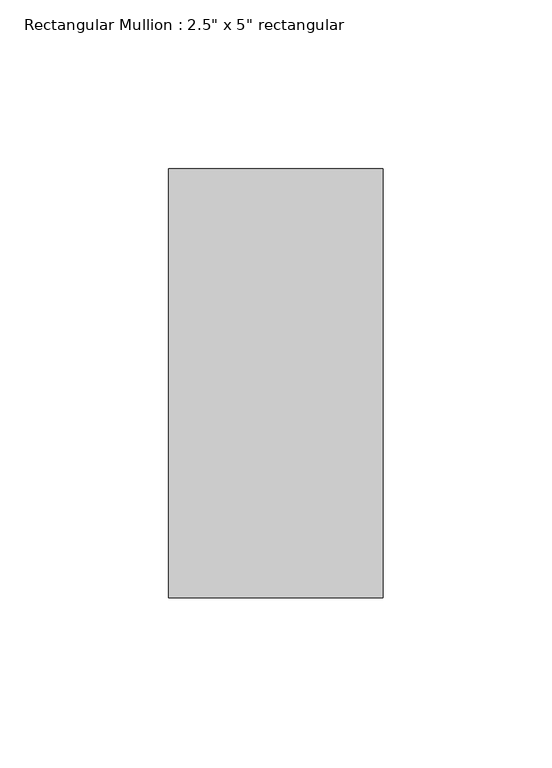
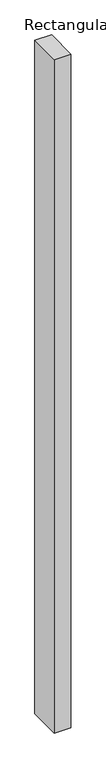
"""IFC4 building model written with IfcOpenShell, lengths in millimetres: member geometry."""

from ifc_helpers import new_model, si_unit, frame, origin, place, context, project, spatial, polyline, outline, extrude, source, transform, mapped, element, save


def member_be603b2f(model_context):
    return source(origin(), model_context, "Body", "SweptSolid", [
        extrude(outline(polyline([(31.75, 63.5), (31.75, -63.5), (-31.75, -63.5), (-31.75, 63.5), (31.75, 63.5)])), frame((0.0, 0.0, -2700.0), z_axis=(0.0, 0.0, 1.0), x_axis=(1.0, 0.0, 0.0)), (0.0, 0.0, 1.0), 2700.0),
    ])


if __name__ == "__main__":
    model = new_model("IFC4")
    model_context = context("Model", 3, world=origin())
    ifc_project = project(units=[si_unit("LENGTHUNIT", "METRE", prefix="MILLI")], contexts=[model_context])
    site = spatial("IfcSite", under=ifc_project)
    building = spatial("IfcBuilding", under=site)
    placement = place(None, origin())
    member_shape = member_be603b2f(model_context)
    element("IfcMember", 1, ObjectType="Rectangular Mullion : 2.5\" x 5\" rectangular", at=placement, inside=building, context=model_context, shape_type="MappedRepresentation", body=[
        mapped(member_shape, transform((0.0, 0.0, 0.0), x_axis=(1.0, 0.0, 0.0), y_axis=(0.0, 1.0, 0.0), z_axis=(0.0, 0.0, 1.0))),
    ])
    save(model, "model.ifc")
